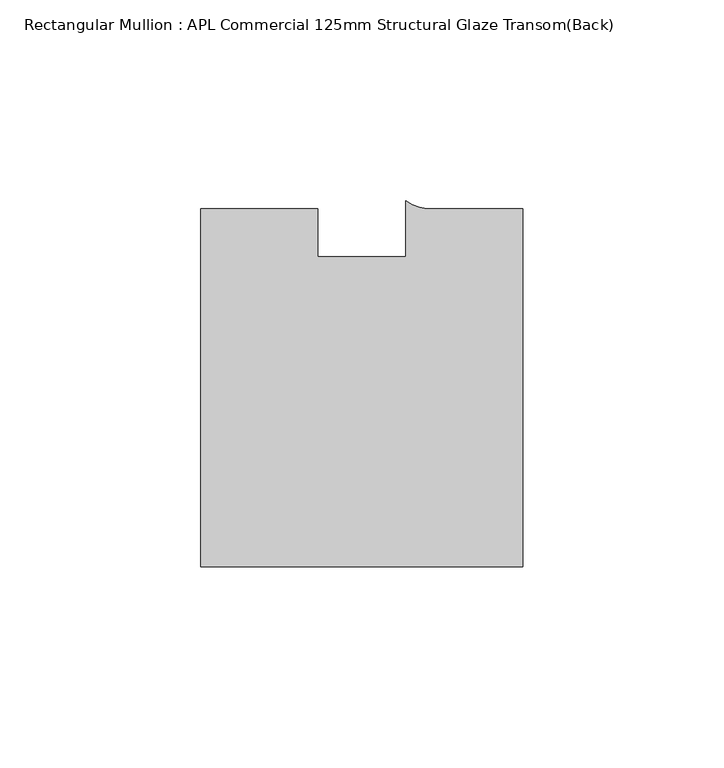
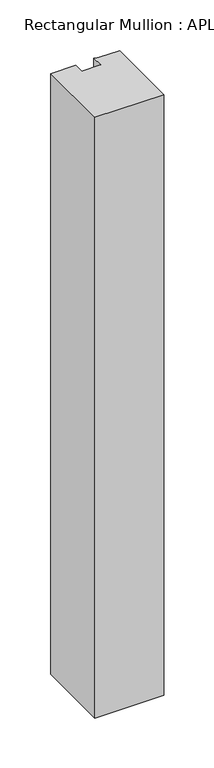
"""IFC4 building model written with IfcOpenShell, lengths in millimetres: member geometry, Rectangular Mullion : APL Commercial 125mm Structural Glaze Transom(Back)."""

import ifcopenshell
import ifcopenshell.guid

model = None  # the IFC model being written
_history = None  # IfcOwnerHistory: only IFC2X3 demands one
_inside = {}  # id of a spatial element -> (the spatial element, [elements in it])
_under = {}  # id of a project, library or spatial element -> (it, [spatial elements below it])
_declared = {}  # id of a project -> (the project, [libraries it declares])
_typed = {}  # id of a type object -> (the type object, [elements of that type])
_made_of = {}  # id of a material, layer set ... -> (it, [elements and type objects made of it])


def new_model(schema):
    """Start an empty IFC model of exactly this schema.

    Asked for "IFC4X3", IfcOpenShell would pick the latest addendum, in which some entities
    have other attributes; the version numbers below select the first issue.
    IFC2X3 requires an IfcOwnerHistory on every rooted entity: one is made here for all.
    """
    global model, _history
    if schema == "IFC4X3":
        model = ifcopenshell.file(schema_version=(4, 3, 0, 0))
    else:
        model = ifcopenshell.file(schema=schema)
    _inside.clear()
    _under.clear()
    _declared.clear()
    _typed.clear()
    _made_of.clear()
    _history = None
    if model.schema == "IFC2X3":
        org = make("IfcOrganization", Name="unknown")
        user = make(
            "IfcPersonAndOrganization",
            ThePerson=make("IfcPerson", FamilyName="unknown"),
            TheOrganization=org,
        )
        app = make(
            "IfcApplication",
            ApplicationDeveloper=org,
            Version="unknown",
            ApplicationFullName="unknown",
            ApplicationIdentifier="unknown",
        )
        _history = make(
            "IfcOwnerHistory",
            OwningUser=user,
            OwningApplication=app,
            ChangeAction="ADDED",
            CreationDate=0,
        )
    return model


def make(cls, **values):
    """One entity of the class cls with the attributes given. An attribute that is None is left unset."""
    return model.create_entity(
        cls, **{name: value for name, value in values.items() if value is not None}
    )


def rooted(cls, **values):
    """An entity with a GlobalId (a new one), such as an element, a storey or a relation."""
    return make(cls, GlobalId=ifcopenshell.guid.new(), OwnerHistory=_history, **values)


def si_unit(unit_type, name, prefix=None):
    """IfcSIUnit, for example si_unit("LENGTHUNIT", "METRE", prefix="MILLI")."""
    return make("IfcSIUnit", UnitType=unit_type, Prefix=prefix, Name=name)


def assignment(units):
    """IfcUnitAssignment: the units of a project."""
    return None if units is None else make("IfcUnitAssignment", Units=units)


def point(xyz):
    """IfcCartesianPoint."""
    return None if xyz is None else make("IfcCartesianPoint", Coordinates=xyz)


def direction(xyz):
    """IfcDirection."""
    return None if xyz is None else make("IfcDirection", DirectionRatios=xyz)


def frame(location, z_axis=None, x_axis=None):
    """IfcAxis2Placement3D, a coordinate frame: its origin and axes. An axis left out is left unset."""
    return make(
        "IfcAxis2Placement3D",
        Location=point(location),
        Axis=direction(z_axis),
        RefDirection=direction(x_axis),
    )


def frame_2d(location, x_axis=None):
    """IfcAxis2Placement2D, a coordinate frame in the plane: its origin and x axis."""
    return make(
        "IfcAxis2Placement2D", Location=point(location), RefDirection=direction(x_axis)
    )


def origin():
    """The frame at (0, 0, 0) with its axes left unset."""
    return frame((0.0, 0.0, 0.0))


def place(relative_to, where):
    """IfcLocalPlacement: puts the frame where relative to a parent placement (None: the world)."""
    return make(
        "IfcLocalPlacement", PlacementRelTo=relative_to, RelativePlacement=where
    )


def context(
    kind, dimensions, precision=None, world=None, true_north=None, identifier=None
):
    """IfcGeometricRepresentationContext, for example the 3D "Model" context."""
    return make(
        "IfcGeometricRepresentationContext",
        ContextIdentifier=identifier,
        ContextType=kind,
        CoordinateSpaceDimension=dimensions,
        Precision=precision,
        WorldCoordinateSystem=world,
        TrueNorth=true_north,
    )


def project(units=None, contexts=None):
    """IfcProject with its units and contexts."""
    return rooted(
        "IfcProject",
        Name="project",
        RepresentationContexts=contexts,
        UnitsInContext=assignment(units),
    )


def spatial(cls, under=None, at=None, **own):
    """A site, building, storey or space (cls), placed at a placement, below another one or the project."""
    s = rooted(cls, ObjectPlacement=at, **own)
    if under is not None:
        _under.setdefault(under.id(), (under, []))[1].append(s)
    return s


def polyline(points):
    """IfcPolyline through the points."""
    return make("IfcPolyline", Points=[point(p) for p in points])


def circle_curve(where, radius):
    """IfcCircle in the frame where."""
    return make("IfcCircle", Position=where, Radius=radius)


def trimmed(basis, trim1, trim2, sense, master):
    """IfcTrimmedCurve: the piece of a basis curve between two trims."""
    return make(
        "IfcTrimmedCurve",
        BasisCurve=basis,
        Trim1=trim1,
        Trim2=trim2,
        SenseAgreement=sense,
        MasterRepresentation=master,
    )


def segment(curve, same_sense, transition):
    """IfcCompositeCurveSegment."""
    return make(
        "IfcCompositeCurveSegment",
        Transition=transition,
        SameSense=same_sense,
        ParentCurve=curve,
    )


def composite_curve(segments, self_intersect=None):
    """IfcCompositeCurve: segments joined end to end."""
    return make("IfcCompositeCurve", Segments=segments, SelfIntersect=self_intersect)


def outline(outer, holes=None, kind="AREA"):
    """IfcArbitraryClosedProfileDef: a profile drawn as a closed curve; with holes, ...WithVoids."""
    if holes is None:
        return make("IfcArbitraryClosedProfileDef", ProfileType=kind, OuterCurve=outer)
    return make(
        "IfcArbitraryProfileDefWithVoids",
        ProfileType=kind,
        OuterCurve=outer,
        InnerCurves=holes,
    )


def extrude(swept, where, along, depth):
    """IfcExtrudedAreaSolid: the profile swept, set in the frame where, extruded along a direction by depth."""
    return make(
        "IfcExtrudedAreaSolid",
        SweptArea=swept,
        Position=where,
        ExtrudedDirection=direction(along),
        Depth=depth,
    )


def shape(context_of_items, identifier, shape_type, items):
    """IfcShapeRepresentation: the items that make up one representation, for example the "Body"."""
    return make(
        "IfcShapeRepresentation",
        ContextOfItems=context_of_items,
        RepresentationIdentifier=identifier,
        RepresentationType=shape_type,
        Items=items,
    )


def source(mapping_origin, context_of_items, identifier, shape_type, items):
    """IfcRepresentationMap: a shape defined once, which mapped items show again and again."""
    return make(
        "IfcRepresentationMap",
        MappingOrigin=mapping_origin,
        MappedRepresentation=shape(context_of_items, identifier, shape_type, items),
    )


def transform(
    local_origin,
    x_axis=None,
    y_axis=None,
    z_axis=None,
    scale=None,
    scale2=None,
    scale3=None,
    uniform=True,
):
    """IfcCartesianTransformationOperator3D, or its non-uniform kind. x_axis, y_axis, z_axis: its Axis1, 2, 3."""
    if uniform:
        return make(
            "IfcCartesianTransformationOperator3D",
            Axis1=direction(x_axis),
            Axis2=direction(y_axis),
            LocalOrigin=point(local_origin),
            Scale=scale,
            Axis3=direction(z_axis),
        )
    return make(
        "IfcCartesianTransformationOperator3DnonUniform",
        Axis1=direction(x_axis),
        Axis2=direction(y_axis),
        LocalOrigin=point(local_origin),
        Scale=scale,
        Axis3=direction(z_axis),
        Scale2=scale2,
        Scale3=scale3,
    )


def mapped(mapping_source, mapping_target):
    """IfcMappedItem: shows the shape of a source again, moved by a transform."""
    return make(
        "IfcMappedItem", MappingSource=mapping_source, MappingTarget=mapping_target
    )


def made_of(thing, what):
    """Note that an element or type object is made of a material, layer set ...; save() writes the relation."""
    if what is not None:
        _made_of.setdefault(what.id(), (what, []))[1].append(thing)
    return thing


def element(
    cls,
    number,
    at=None,
    inside=None,
    cuts=None,
    type_object=None,
    material=None,
    context=None,
    identifier="Body",
    shape_type=None,
    held_by="IfcProductDefinitionShape",
    body=None,
    shapes=None,
    **own,
):
    """One element of the class cls, such as IfcWall. Its Tag is "e" and its number.

    at: its placement. inside: the storey or other place that contains it. cuts: it is an
    opening in that element (IfcRelVoidsElement). A single representation is given by context,
    identifier, shape_type and body (its items); several are given by shapes. held_by: the class
    of the entity that holds the representations. save() writes the other relations.
    """
    e = rooted(cls, Tag="e%d" % number, ObjectPlacement=at, **own)
    if body is not None:
        shapes = [shape(context, identifier, shape_type, body)]
    if shapes is not None:
        e.Representation = make(held_by, Representations=shapes)
    if inside is not None:
        _inside.setdefault(inside.id(), (inside, []))[1].append(e)
    if cuts is not None:
        rooted(
            "IfcRelVoidsElement", RelatingBuildingElement=cuts, RelatedOpeningElement=e
        )
    if type_object is not None:
        _typed.setdefault(type_object.id(), (type_object, []))[1].append(e)
    return made_of(e, material)


def aggregate(whole, parts):
    """IfcRelAggregates: a whole, such as a stair, and the parts it consists of."""
    return rooted("IfcRelAggregates", RelatingObject=whole, RelatedObjects=parts)


def save(model, path):
    """Write the relations noted so far, then the file.

    IfcRelAggregates (storeys below a building ...), IfcRelContainedInSpatialStructure (elements
    in a storey), IfcRelDefinesByType, IfcRelAssociatesMaterial and IfcRelDeclares: one each for
    every whole, place, type object, material and project.
    """
    for whole, parts in _under.values():
        aggregate(whole, parts)
    for where, things in _inside.values():
        rooted(
            "IfcRelContainedInSpatialStructure",
            RelatedElements=things,
            RelatingStructure=where,
        )
    for kind, things in _typed.values():
        rooted("IfcRelDefinesByType", RelatedObjects=things, RelatingType=kind)
    for what, things in _made_of.values():
        rooted("IfcRelAssociatesMaterial", RelatedObjects=things, RelatingMaterial=what)
    for by, libraries in _declared.values():
        rooted("IfcRelDeclares", RelatingContext=by, RelatedDefinitions=libraries)
    model.write(path)


def rectangular_mullion_apl_commercial_125mm_structural_glaze_47d000dd(model_context):
    return source(origin(), model_context, "Body", "SweptSolid", [
        extrude(outline(composite_curve([segment(polyline([(40.0, -104.0), (-40.0, -104.0), (-40.0, -15.0000829), (-11.0000151, -15.0000829), (-11.0000151, -27.0), (11.0000151, -27.0), (11.0000151, -13.0673455)]), True, "CONTINUOUS"), segment(trimmed(circle_curve(frame_2d((17.1097719, -4.581653)), 10.4563907), [point((11.0000151, -13.0673455))], [point((17.9999542, -15.0000829))], True, "CARTESIAN"), True, "CONTINUOUS"), segment(polyline([(17.9999542, -15.0000829), (40.0, -15.0000829), (40.0, -104.0)]), True, "CONTINUOUS")], self_intersect=False)), frame((0.0, 0.0, -737.3627514), z_axis=(0.0, 0.0, 1.0), x_axis=(1.0, 0.0, 0.0)), (0.0, 0.0, 1.0), 737.3627514),
    ])


if __name__ == "__main__":
    model = new_model("IFC4")
    model_context = context("Model", 3, world=origin())
    ifc_project = project(units=[si_unit("LENGTHUNIT", "METRE", prefix="MILLI")], contexts=[model_context])
    site = spatial("IfcSite", under=ifc_project)
    building = spatial("IfcBuilding", under=site)
    placement = place(None, origin())
    rectangular_mullion_apl_commercial_125mm_structural_glaze_shape = rectangular_mullion_apl_commercial_125mm_structural_glaze_47d000dd(model_context)
    element("IfcMember", 1, ObjectType="Rectangular Mullion : APL Commercial 125mm Structural Glaze Transom(Back)", at=placement, inside=building, context=model_context, shape_type="MappedRepresentation", body=[
        mapped(rectangular_mullion_apl_commercial_125mm_structural_glaze_shape, transform((0.0, 0.0, 0.0), x_axis=(1.0, 0.0, 0.0), y_axis=(0.0, 1.0, 0.0), z_axis=(0.0, 0.0, 1.0))),
    ])
    save(model, "model.ifc")
